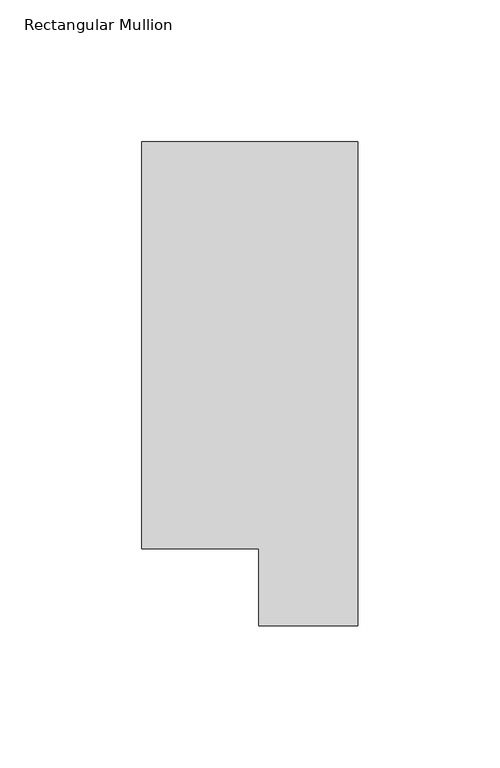
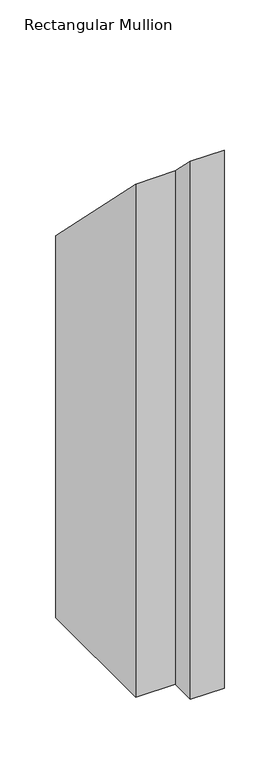
"""IFC4 building model written with IfcOpenShell, lengths in millimetres: member geometry, Rectangular Mullion."""

from ifc_helpers import new_model, si_unit, origin, place, context, project, spatial, faceted_brep, source, transform, mapped, element, save


def rectangular_mullion_03c1ce53(model_context):
    return source(origin(), model_context, "Body", "Brep", [
        faceted_brep([(0.0, 190.2801312, -609.6), (0.0, 19.5667312, -609.6), (-34.9123, 19.5667312, -609.6), (-34.9123, 46.7447302, -609.6), (-76.2, 46.7447302, -609.6), (-76.2, 190.2801312, -609.6), (-76.2, 190.2801312, -190.2801312), (0.0, 190.2801312, -190.2801312), (-76.2, 46.7447302, -46.7447302), (-34.9123, 46.7447302, -46.7447302), (-34.9123, 19.5667312, -19.5667312), (0.0, 19.5667312, -19.5667312)], [[[0, 1, 2, 3, 4, 5]], [[6, 7, 0, 5]], [[8, 6, 5, 4]], [[9, 8, 4, 3]], [[10, 9, 3, 2]], [[11, 10, 2, 1]], [[7, 11, 1, 0]], [[7, 6, 8, 9, 10, 11]]]),
    ])


if __name__ == "__main__":
    model = new_model("IFC4")
    model_context = context("Model", 3, world=origin())
    ifc_project = project(units=[si_unit("LENGTHUNIT", "METRE", prefix="MILLI")], contexts=[model_context])
    site = spatial("IfcSite", under=ifc_project)
    building = spatial("IfcBuilding", under=site)
    placement = place(None, origin())
    rectangular_mullion_shape = rectangular_mullion_03c1ce53(model_context)
    element("IfcMember", 1, ObjectType="Rectangular Mullion", at=placement, inside=building, context=model_context, shape_type="MappedRepresentation", body=[
        mapped(rectangular_mullion_shape, transform((0.0, 0.0, 0.0), x_axis=(1.0, 0.0, 0.0), y_axis=(0.0, 1.0, 0.0), z_axis=(0.0, 0.0, 1.0))),
    ])
    save(model, "model.ifc")
